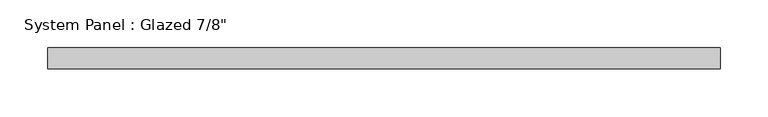
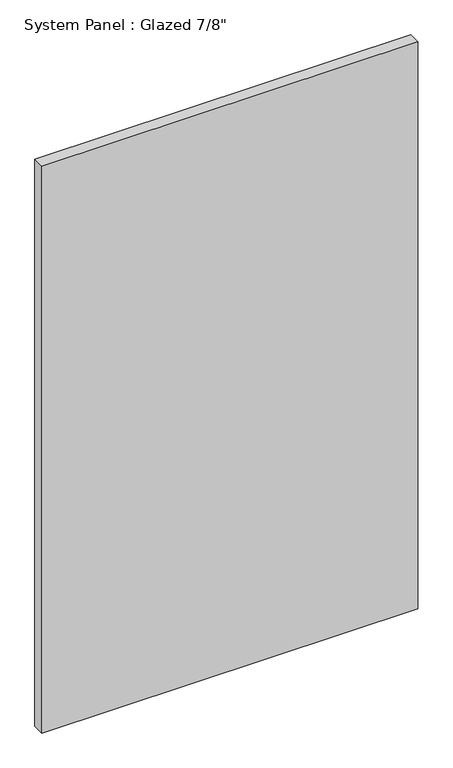
"""IFC4 building model written with IfcOpenShell, lengths in millimetres: plate geometry."""

from ifc_helpers import new_model, si_unit, origin, origin_with_axes, place, context, project, spatial, polyline, outline, extrude, source, transform, mapped, element, save


def plate_66bcef34(model_context):
    return source(origin(), model_context, "Body", "SweptSolid", [
        extrude(outline(polyline([(352.425, -11.1125), (-352.425, -11.1125), (-352.425, 11.1125), (352.425, 11.1125), (352.425, -11.1125)])), origin_with_axes(), (0.0, 0.0, 1.0), 1123.95),
    ])


if __name__ == "__main__":
    model = new_model("IFC4")
    model_context = context("Model", 3, world=origin())
    ifc_project = project(units=[si_unit("LENGTHUNIT", "METRE", prefix="MILLI")], contexts=[model_context])
    site = spatial("IfcSite", under=ifc_project)
    building = spatial("IfcBuilding", under=site)
    placement = place(None, origin())
    plate_shape = plate_66bcef34(model_context)
    element("IfcPlate", 1, ObjectType="System Panel : Glazed 7/8\"", at=placement, inside=building, context=model_context, shape_type="MappedRepresentation", body=[
        mapped(plate_shape, transform((0.0, 0.0, 0.0), x_axis=(1.0, 0.0, 0.0), y_axis=(0.0, 1.0, 0.0), z_axis=(0.0, 0.0, 1.0))),
    ])
    save(model, "model.ifc")
